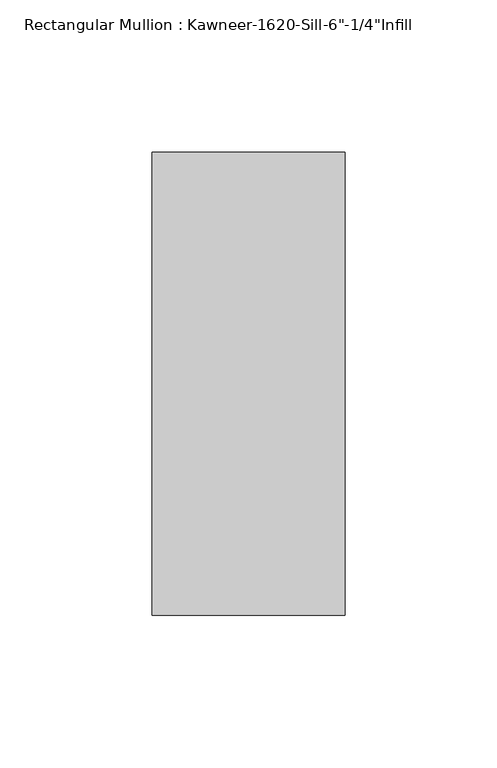
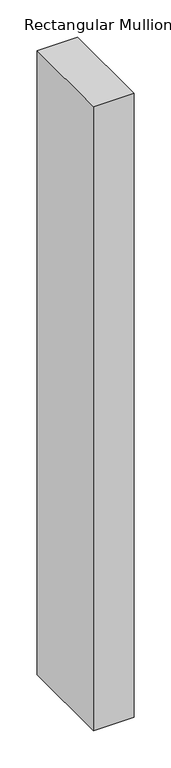
"""IFC4 building model written with IfcOpenShell, lengths in millimetres: member geometry."""

from ifc_helpers import new_model, si_unit, frame, origin, place, context, project, spatial, polyline, outline, extrude, source, transform, mapped, element, save


def member_9fa0ba9c(model_context):
    return source(origin(), model_context, "Body", "SweptSolid", [
        extrude(outline(polyline([(-63.5, 28.575), (0.0, 28.575), (0.0, -123.825), (-63.5, -123.825), (-63.5, 28.575)])), frame((0.0, 0.0, -1028.7), z_axis=(0.0, 0.0, 1.0), x_axis=(1.0, 0.0, 0.0)), (0.0, 0.0, 1.0), 1028.7),
    ])


if __name__ == "__main__":
    model = new_model("IFC4")
    model_context = context("Model", 3, world=origin())
    ifc_project = project(units=[si_unit("LENGTHUNIT", "METRE", prefix="MILLI")], contexts=[model_context])
    site = spatial("IfcSite", under=ifc_project)
    building = spatial("IfcBuilding", under=site)
    placement = place(None, origin())
    member_shape = member_9fa0ba9c(model_context)
    element("IfcMember", 1, ObjectType="Rectangular Mullion : Kawneer-1620-Sill-6\"-1/4\"Infill", at=placement, inside=building, context=model_context, shape_type="MappedRepresentation", body=[
        mapped(member_shape, transform((0.0, 0.0, 0.0), x_axis=(1.0, 0.0, 0.0), y_axis=(0.0, 1.0, 0.0), z_axis=(0.0, 0.0, 1.0))),
    ])
    save(model, "model.ifc")
